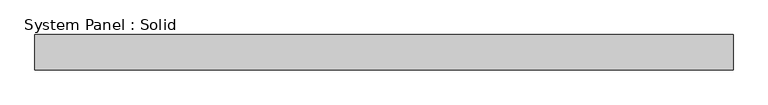
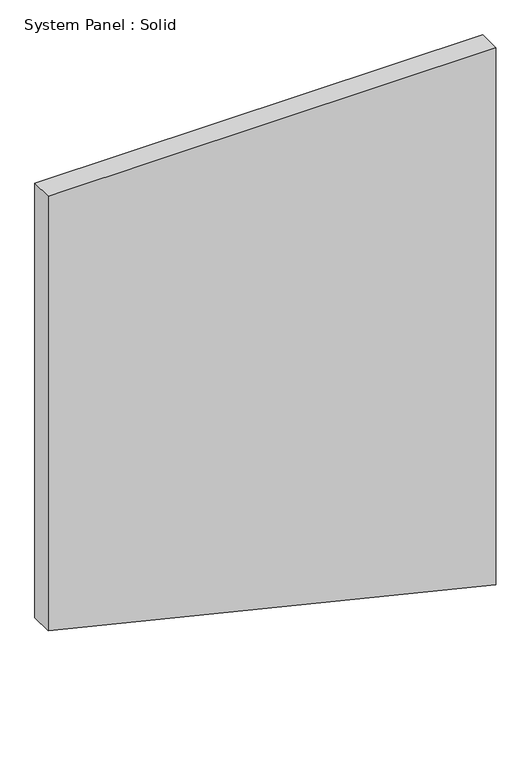
"""IFC4 building model written with IfcOpenShell, lengths in millimetres: plate geometry, System Panel : Solid."""

from ifc_helpers import new_model, si_unit, frame, origin, place, context, project, spatial, polyline, outline, extrude, source, transform, mapped, element, save


def system_panel_solid_9031d501(model_context):
    return source(origin(), model_context, "Body", "SweptSolid", [
        extrude(outline(polyline([(285.899334, -591.6382567), (0.0, 591.6382567), (1500.0, 591.6382567), (1500.0, -591.6382567), (285.899334, -591.6382567)])), frame((0.0, -10.5, 0.0), z_axis=(0.0, 1.0, 0.0), x_axis=(0.0, 0.0, 1.0)), (0.0, 0.0, 1.0), 60.0),
    ])


if __name__ == "__main__":
    model = new_model("IFC4")
    model_context = context("Model", 3, world=origin())
    ifc_project = project(units=[si_unit("LENGTHUNIT", "METRE", prefix="MILLI")], contexts=[model_context])
    site = spatial("IfcSite", under=ifc_project)
    building = spatial("IfcBuilding", under=site)
    placement = place(None, origin())
    system_panel_solid_shape = system_panel_solid_9031d501(model_context)
    element("IfcPlate", 1, ObjectType="System Panel : Solid", at=placement, inside=building, context=model_context, shape_type="MappedRepresentation", body=[
        mapped(system_panel_solid_shape, transform((0.0, 0.0, 0.0), x_axis=(1.0, 0.0, 0.0), y_axis=(0.0, 1.0, 0.0), z_axis=(0.0, 0.0, 1.0))),
    ])
    save(model, "model.ifc")
